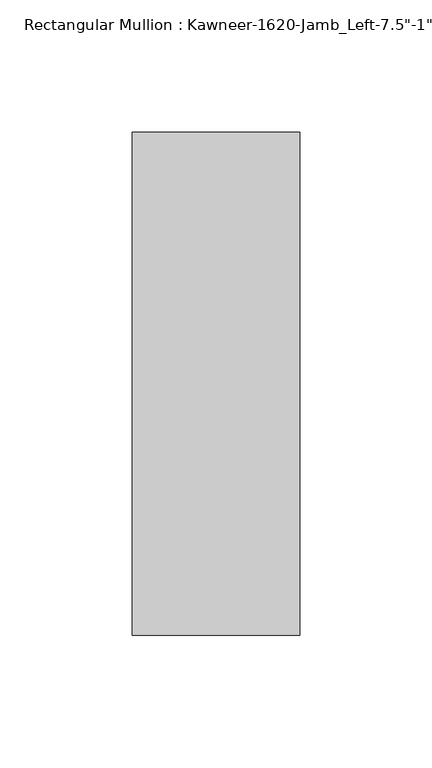
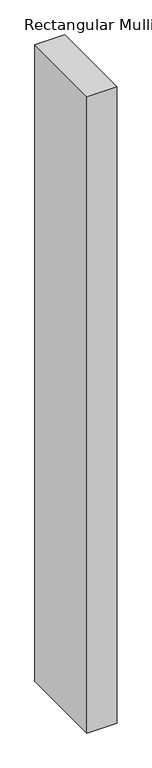
"""IFC4 building model written with IfcOpenShell, lengths in millimetres: member geometry."""

from ifc_helpers import new_model, si_unit, frame, origin, place, context, project, spatial, polyline, outline, extrude, source, transform, mapped, element, save


def member_16063596(model_context):
    return source(origin(), model_context, "Body", "SweptSolid", [
        extrude(outline(polyline([(-63.5, 38.1), (0.0, 38.1), (0.0, -152.4), (-63.5, -152.4), (-63.5, 38.1)])), frame((0.0, 0.0, -1422.4), z_axis=(0.0, 0.0, 1.0), x_axis=(1.0, 0.0, 0.0)), (0.0, 0.0, 1.0), 1422.4),
    ])


if __name__ == "__main__":
    model = new_model("IFC4")
    model_context = context("Model", 3, world=origin())
    ifc_project = project(units=[si_unit("LENGTHUNIT", "METRE", prefix="MILLI")], contexts=[model_context])
    site = spatial("IfcSite", under=ifc_project)
    building = spatial("IfcBuilding", under=site)
    placement = place(None, origin())
    member_shape = member_16063596(model_context)
    element("IfcMember", 1, ObjectType="Rectangular Mullion : Kawneer-1620-Jamb_Left-7.5\"-1\"Infill", at=placement, inside=building, context=model_context, shape_type="MappedRepresentation", body=[
        mapped(member_shape, transform((0.0, 0.0, 0.0), x_axis=(1.0, 0.0, 0.0), y_axis=(0.0, 1.0, 0.0), z_axis=(0.0, 0.0, 1.0))),
    ])
    save(model, "model.ifc")
